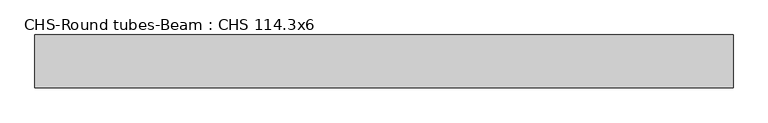
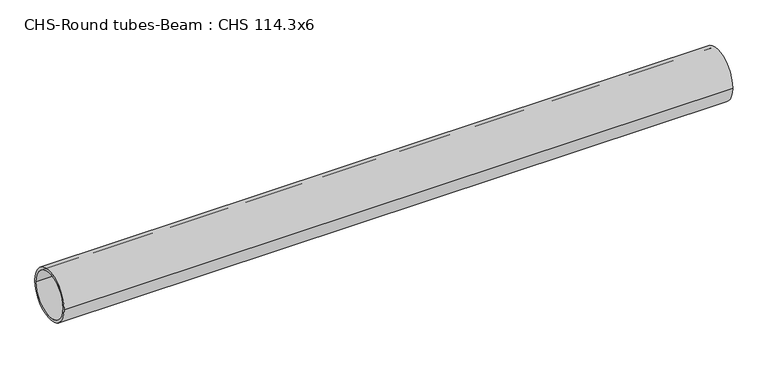
"""IFC4 building model written with IfcOpenShell, lengths in millimetres: beam geometry, CHS-Round tubes-Beam : CHS 114.3x6."""

from ifc_helpers import new_model, si_unit, point, frame, origin, origin_2d, place, context, project, spatial, circle_curve, trimmed, segment, composite_curve, outline, extrude, source, transform, mapped, element, save


def chs_round_tubes_beam_chs_114_3x6_8a30044d(model_context):
    return source(origin(), model_context, "Body", "SweptSolid", [
        extrude(outline(composite_curve([segment(trimmed(circle_curve(origin_2d(), 57.15), [point((57.15, 0.0))], [point((-57.15, 0.0))], False, "CARTESIAN"), True, "CONTINUOUS"), segment(trimmed(circle_curve(origin_2d(), 57.15), [point((-57.15, 0.0))], [point((57.15, 0.0))], False, "CARTESIAN"), True, "CONTINUOUS")], self_intersect=False), holes=[composite_curve([segment(trimmed(circle_curve(origin_2d(), 51.15), [point((51.15, 0.0))], [point((-51.15, 0.0))], True, "CARTESIAN"), True, "CONTINUOUS"), segment(trimmed(circle_curve(origin_2d(), 51.15), [point((-51.15, 0.0))], [point((51.15, 0.0))], True, "CARTESIAN"), True, "CONTINUOUS")], self_intersect=False)]), frame((-744.0393252, 0.0, 0.0), z_axis=(1.0, 0.0, 0.0), x_axis=(0.0, 1.0, 0.0)), (0.0, 0.0, 1.0), 1503.5393583),
    ])


if __name__ == "__main__":
    model = new_model("IFC4")
    model_context = context("Model", 3, world=origin())
    ifc_project = project(units=[si_unit("LENGTHUNIT", "METRE", prefix="MILLI")], contexts=[model_context])
    site = spatial("IfcSite", under=ifc_project)
    building = spatial("IfcBuilding", under=site)
    placement = place(None, origin())
    chs_round_tubes_beam_chs_114_3x6_shape = chs_round_tubes_beam_chs_114_3x6_8a30044d(model_context)
    element("IfcBeam", 1, ObjectType="CHS-Round tubes-Beam : CHS 114.3x6", at=placement, inside=building, context=model_context, shape_type="MappedRepresentation", body=[
        mapped(chs_round_tubes_beam_chs_114_3x6_shape, transform((0.0, 0.0, 0.0), x_axis=(1.0, 0.0, 0.0), y_axis=(0.0, 1.0, 0.0), z_axis=(0.0, 0.0, 1.0))),
    ])
    save(model, "model.ifc")
